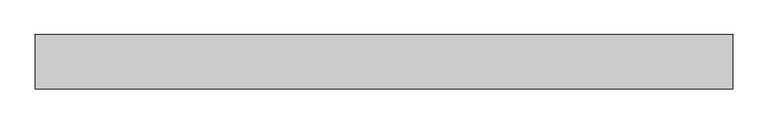
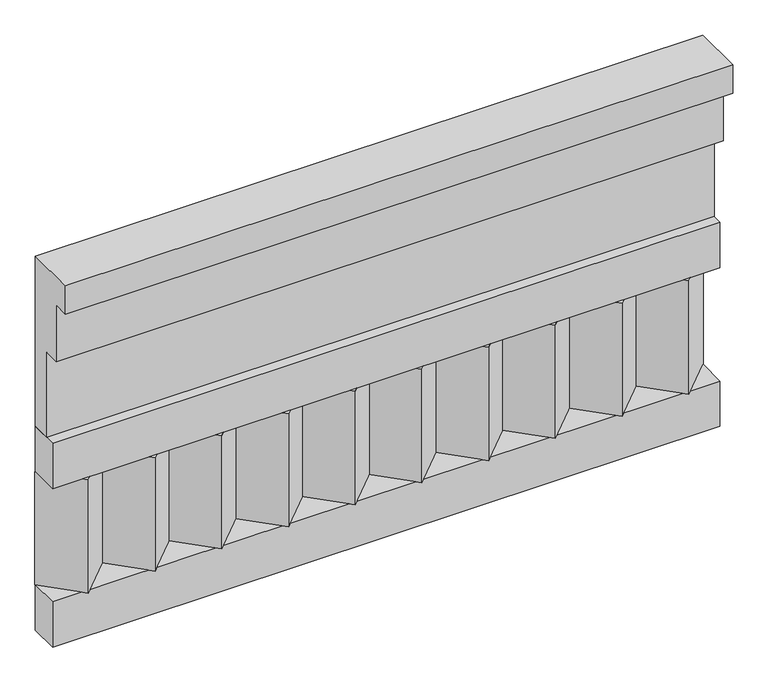
"""IFC4 building model written with IfcOpenShell, lengths in millimetres: railing geometry."""

import ifcopenshell
import ifcopenshell.guid

model = None  # the IFC model being written
_history = None  # IfcOwnerHistory: only IFC2X3 demands one
_inside = {}  # id of a spatial element -> (the spatial element, [elements in it])
_under = {}  # id of a project, library or spatial element -> (it, [spatial elements below it])
_declared = {}  # id of a project -> (the project, [libraries it declares])
_typed = {}  # id of a type object -> (the type object, [elements of that type])
_made_of = {}  # id of a material, layer set ... -> (it, [elements and type objects made of it])


def new_model(schema):
    """Start an empty IFC model of exactly this schema.

    Asked for "IFC4X3", IfcOpenShell would pick the latest addendum, in which some entities
    have other attributes; the version numbers below select the first issue.
    IFC2X3 requires an IfcOwnerHistory on every rooted entity: one is made here for all.
    """
    global model, _history
    if schema == "IFC4X3":
        model = ifcopenshell.file(schema_version=(4, 3, 0, 0))
    else:
        model = ifcopenshell.file(schema=schema)
    _inside.clear()
    _under.clear()
    _declared.clear()
    _typed.clear()
    _made_of.clear()
    _history = None
    if model.schema == "IFC2X3":
        org = make("IfcOrganization", Name="unknown")
        user = make(
            "IfcPersonAndOrganization",
            ThePerson=make("IfcPerson", FamilyName="unknown"),
            TheOrganization=org,
        )
        app = make(
            "IfcApplication",
            ApplicationDeveloper=org,
            Version="unknown",
            ApplicationFullName="unknown",
            ApplicationIdentifier="unknown",
        )
        _history = make(
            "IfcOwnerHistory",
            OwningUser=user,
            OwningApplication=app,
            ChangeAction="ADDED",
            CreationDate=0,
        )
    return model


def make(cls, **values):
    """One entity of the class cls with the attributes given. An attribute that is None is left unset."""
    return model.create_entity(
        cls, **{name: value for name, value in values.items() if value is not None}
    )


def rooted(cls, **values):
    """An entity with a GlobalId (a new one), such as an element, a storey or a relation."""
    return make(cls, GlobalId=ifcopenshell.guid.new(), OwnerHistory=_history, **values)


def si_unit(unit_type, name, prefix=None):
    """IfcSIUnit, for example si_unit("LENGTHUNIT", "METRE", prefix="MILLI")."""
    return make("IfcSIUnit", UnitType=unit_type, Prefix=prefix, Name=name)


def assignment(units):
    """IfcUnitAssignment: the units of a project."""
    return None if units is None else make("IfcUnitAssignment", Units=units)


def point(xyz):
    """IfcCartesianPoint."""
    return None if xyz is None else make("IfcCartesianPoint", Coordinates=xyz)


def direction(xyz):
    """IfcDirection."""
    return None if xyz is None else make("IfcDirection", DirectionRatios=xyz)


def frame(location, z_axis=None, x_axis=None):
    """IfcAxis2Placement3D, a coordinate frame: its origin and axes. An axis left out is left unset."""
    return make(
        "IfcAxis2Placement3D",
        Location=point(location),
        Axis=direction(z_axis),
        RefDirection=direction(x_axis),
    )


def origin():
    """The frame at (0, 0, 0) with its axes left unset."""
    return frame((0.0, 0.0, 0.0))


def place(relative_to, where):
    """IfcLocalPlacement: puts the frame where relative to a parent placement (None: the world)."""
    return make(
        "IfcLocalPlacement", PlacementRelTo=relative_to, RelativePlacement=where
    )


def context(
    kind, dimensions, precision=None, world=None, true_north=None, identifier=None
):
    """IfcGeometricRepresentationContext, for example the 3D "Model" context."""
    return make(
        "IfcGeometricRepresentationContext",
        ContextIdentifier=identifier,
        ContextType=kind,
        CoordinateSpaceDimension=dimensions,
        Precision=precision,
        WorldCoordinateSystem=world,
        TrueNorth=true_north,
    )


def project(units=None, contexts=None):
    """IfcProject with its units and contexts."""
    return rooted(
        "IfcProject",
        Name="project",
        RepresentationContexts=contexts,
        UnitsInContext=assignment(units),
    )


def spatial(cls, under=None, at=None, **own):
    """A site, building, storey or space (cls), placed at a placement, below another one or the project."""
    s = rooted(cls, ObjectPlacement=at, **own)
    if under is not None:
        _under.setdefault(under.id(), (under, []))[1].append(s)
    return s


def polyline(points):
    """IfcPolyline through the points."""
    return make("IfcPolyline", Points=[point(p) for p in points])


def outline(outer, holes=None, kind="AREA"):
    """IfcArbitraryClosedProfileDef: a profile drawn as a closed curve; with holes, ...WithVoids."""
    if holes is None:
        return make("IfcArbitraryClosedProfileDef", ProfileType=kind, OuterCurve=outer)
    return make(
        "IfcArbitraryProfileDefWithVoids",
        ProfileType=kind,
        OuterCurve=outer,
        InnerCurves=holes,
    )


def extrude(swept, where, along, depth):
    """IfcExtrudedAreaSolid: the profile swept, set in the frame where, extruded along a direction by depth."""
    return make(
        "IfcExtrudedAreaSolid",
        SweptArea=swept,
        Position=where,
        ExtrudedDirection=direction(along),
        Depth=depth,
    )


def shape(context_of_items, identifier, shape_type, items):
    """IfcShapeRepresentation: the items that make up one representation, for example the "Body"."""
    return make(
        "IfcShapeRepresentation",
        ContextOfItems=context_of_items,
        RepresentationIdentifier=identifier,
        RepresentationType=shape_type,
        Items=items,
    )


def source(mapping_origin, context_of_items, identifier, shape_type, items):
    """IfcRepresentationMap: a shape defined once, which mapped items show again and again."""
    return make(
        "IfcRepresentationMap",
        MappingOrigin=mapping_origin,
        MappedRepresentation=shape(context_of_items, identifier, shape_type, items),
    )


def transform(
    local_origin,
    x_axis=None,
    y_axis=None,
    z_axis=None,
    scale=None,
    scale2=None,
    scale3=None,
    uniform=True,
):
    """IfcCartesianTransformationOperator3D, or its non-uniform kind. x_axis, y_axis, z_axis: its Axis1, 2, 3."""
    if uniform:
        return make(
            "IfcCartesianTransformationOperator3D",
            Axis1=direction(x_axis),
            Axis2=direction(y_axis),
            LocalOrigin=point(local_origin),
            Scale=scale,
            Axis3=direction(z_axis),
        )
    return make(
        "IfcCartesianTransformationOperator3DnonUniform",
        Axis1=direction(x_axis),
        Axis2=direction(y_axis),
        LocalOrigin=point(local_origin),
        Scale=scale,
        Axis3=direction(z_axis),
        Scale2=scale2,
        Scale3=scale3,
    )


def mapped(mapping_source, mapping_target):
    """IfcMappedItem: shows the shape of a source again, moved by a transform."""
    return make(
        "IfcMappedItem", MappingSource=mapping_source, MappingTarget=mapping_target
    )


def made_of(thing, what):
    """Note that an element or type object is made of a material, layer set ...; save() writes the relation."""
    if what is not None:
        _made_of.setdefault(what.id(), (what, []))[1].append(thing)
    return thing


def element(
    cls,
    number,
    at=None,
    inside=None,
    cuts=None,
    type_object=None,
    material=None,
    context=None,
    identifier="Body",
    shape_type=None,
    held_by="IfcProductDefinitionShape",
    body=None,
    shapes=None,
    **own,
):
    """One element of the class cls, such as IfcWall. Its Tag is "e" and its number.

    at: its placement. inside: the storey or other place that contains it. cuts: it is an
    opening in that element (IfcRelVoidsElement). A single representation is given by context,
    identifier, shape_type and body (its items); several are given by shapes. held_by: the class
    of the entity that holds the representations. save() writes the other relations.
    """
    e = rooted(cls, Tag="e%d" % number, ObjectPlacement=at, **own)
    if body is not None:
        shapes = [shape(context, identifier, shape_type, body)]
    if shapes is not None:
        e.Representation = make(held_by, Representations=shapes)
    if inside is not None:
        _inside.setdefault(inside.id(), (inside, []))[1].append(e)
    if cuts is not None:
        rooted(
            "IfcRelVoidsElement", RelatingBuildingElement=cuts, RelatedOpeningElement=e
        )
    if type_object is not None:
        _typed.setdefault(type_object.id(), (type_object, []))[1].append(e)
    return made_of(e, material)


def aggregate(whole, parts):
    """IfcRelAggregates: a whole, such as a stair, and the parts it consists of."""
    return rooted("IfcRelAggregates", RelatingObject=whole, RelatedObjects=parts)


def save(model, path):
    """Write the relations noted so far, then the file.

    IfcRelAggregates (storeys below a building ...), IfcRelContainedInSpatialStructure (elements
    in a storey), IfcRelDefinesByType, IfcRelAssociatesMaterial and IfcRelDeclares: one each for
    every whole, place, type object, material and project.
    """
    for whole, parts in _under.values():
        aggregate(whole, parts)
    for where, things in _inside.values():
        rooted(
            "IfcRelContainedInSpatialStructure",
            RelatedElements=things,
            RelatingStructure=where,
        )
    for kind, things in _typed.values():
        rooted("IfcRelDefinesByType", RelatedObjects=things, RelatingType=kind)
    for what, things in _made_of.values():
        rooted("IfcRelAssociatesMaterial", RelatedObjects=things, RelatingMaterial=what)
    for by, libraries in _declared.values():
        rooted("IfcRelDeclares", RelatingContext=by, RelatedDefinitions=libraries)
    model.write(path)


def railing_7545e493(model_context):
    return source(origin(), model_context, "Body", "SweptSolid", [
        extrude(outline(polyline([(-16816.8920513, 25100.0), (-16816.8920513, 24650.0), (-16866.8920513, 24650.0), (-16866.8920513, 24875.0), (-16906.8920513, 24875.0), (-16906.8920513, 25025.0), (-16946.8920513, 25025.0), (-16946.8920513, 25100.0), (-16816.8920513, 25100.0)])), frame((-36509.9887159, 0.0, 0.0), z_axis=(1.0, 0.0, 0.0), x_axis=(0.0, 1.0, 0.0)), (0.0, 0.0, 1.0), 1670.0),
        extrude(outline(polyline([(-36509.9887159, -16891.8920513), (-36509.9887159, -16816.8920513), (-34839.9887159, -16816.8920513), (-34839.9887159, -16891.8920513), (-36509.9887159, -16891.8920513)])), frame((0.0, 0.0, 24530.0), z_axis=(0.0, 0.0, 1.0), x_axis=(1.0, 0.0, 0.0)), (0.0, 0.0, 1.0), 120.0),
        extrude(outline(polyline([(-36509.9887159, -16891.8920513), (-36509.9887159, -16816.8920513), (-34839.9887159, -16816.8920513), (-34839.9887159, -16891.8920513), (-36509.9887159, -16891.8920513)])), frame((0.0, 0.0, 24110.0), z_axis=(0.0, 0.0, 1.0), x_axis=(1.0, 0.0, 0.0)), (0.0, 0.0, 1.0), 120.0),
        extrude(outline(polyline([(-34923.4887159, -16901.7448651), (-35008.3415296, -16816.8920513), (-34838.6359022, -16816.8920513), (-34923.4887159, -16901.7448651)])), frame((0.0, 0.0, 24230.0), z_axis=(0.0, 0.0, 1.0), x_axis=(1.0, 0.0, 0.0)), (0.0, 0.0, 1.0), 300.0),
        extrude(outline(polyline([(-35090.4887159, -16901.7448651), (-35175.3415296, -16816.8920513), (-35005.6359022, -16816.8920513), (-35090.4887159, -16901.7448651)])), frame((0.0, 0.0, 24230.0), z_axis=(0.0, 0.0, 1.0), x_axis=(1.0, 0.0, 0.0)), (0.0, 0.0, 1.0), 300.0),
        extrude(outline(polyline([(-35257.4887159, -16901.7448651), (-35342.3415296, -16816.8920513), (-35172.6359022, -16816.8920513), (-35257.4887159, -16901.7448651)])), frame((0.0, 0.0, 24230.0), z_axis=(0.0, 0.0, 1.0), x_axis=(1.0, 0.0, 0.0)), (0.0, 0.0, 1.0), 300.0),
        extrude(outline(polyline([(-35424.4887159, -16901.7448651), (-35509.3415296, -16816.8920513), (-35339.6359022, -16816.8920513), (-35424.4887159, -16901.7448651)])), frame((0.0, 0.0, 24230.0), z_axis=(0.0, 0.0, 1.0), x_axis=(1.0, 0.0, 0.0)), (0.0, 0.0, 1.0), 300.0),
        extrude(outline(polyline([(-35591.4887159, -16901.7448651), (-35676.3415296, -16816.8920513), (-35506.6359022, -16816.8920513), (-35591.4887159, -16901.7448651)])), frame((0.0, 0.0, 24230.0), z_axis=(0.0, 0.0, 1.0), x_axis=(1.0, 0.0, 0.0)), (0.0, 0.0, 1.0), 300.0),
        extrude(outline(polyline([(-35758.4887159, -16901.7448651), (-35843.3415296, -16816.8920513), (-35673.6359022, -16816.8920513), (-35758.4887159, -16901.7448651)])), frame((0.0, 0.0, 24230.0), z_axis=(0.0, 0.0, 1.0), x_axis=(1.0, 0.0, 0.0)), (0.0, 0.0, 1.0), 300.0),
        extrude(outline(polyline([(-35925.4887159, -16901.7448651), (-36010.3415296, -16816.8920513), (-35840.6359022, -16816.8920513), (-35925.4887159, -16901.7448651)])), frame((0.0, 0.0, 24230.0), z_axis=(0.0, 0.0, 1.0), x_axis=(1.0, 0.0, 0.0)), (0.0, 0.0, 1.0), 300.0),
        extrude(outline(polyline([(-36092.4887159, -16901.7448651), (-36177.3415296, -16816.8920513), (-36007.6359022, -16816.8920513), (-36092.4887159, -16901.7448651)])), frame((0.0, 0.0, 24230.0), z_axis=(0.0, 0.0, 1.0), x_axis=(1.0, 0.0, 0.0)), (0.0, 0.0, 1.0), 300.0),
        extrude(outline(polyline([(-36259.4887159, -16901.7448651), (-36344.3415296, -16816.8920513), (-36174.6359022, -16816.8920513), (-36259.4887159, -16901.7448651)])), frame((0.0, 0.0, 24230.0), z_axis=(0.0, 0.0, 1.0), x_axis=(1.0, 0.0, 0.0)), (0.0, 0.0, 1.0), 300.0),
        extrude(outline(polyline([(-36426.4887159, -16901.7448651), (-36511.3415296, -16816.8920513), (-36341.6359022, -16816.8920513), (-36426.4887159, -16901.7448651)])), frame((0.0, 0.0, 24230.0), z_axis=(0.0, 0.0, 1.0), x_axis=(1.0, 0.0, 0.0)), (0.0, 0.0, 1.0), 300.0),
    ])


if __name__ == "__main__":
    model = new_model("IFC4")
    model_context = context("Model", 3, world=origin())
    ifc_project = project(units=[si_unit("LENGTHUNIT", "METRE", prefix="MILLI")], contexts=[model_context])
    site = spatial("IfcSite", under=ifc_project)
    building = spatial("IfcBuilding", under=site)
    placement = place(None, origin())
    railing_shape = railing_7545e493(model_context)
    element("IfcRailing", 1, at=placement, inside=building, context=model_context, shape_type="MappedRepresentation", body=[
        mapped(railing_shape, transform((0.0, 0.0, 0.0), x_axis=(1.0, 0.0, 0.0), y_axis=(0.0, 1.0, 0.0), z_axis=(0.0, 0.0, 1.0))),
    ])
    save(model, "model.ifc")
